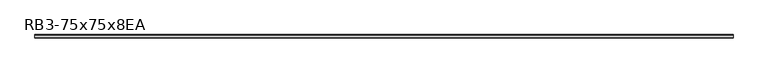
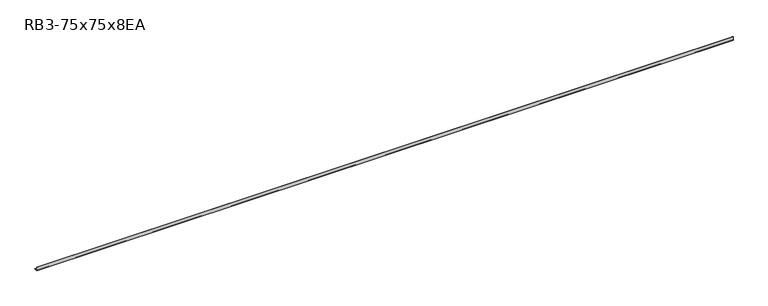
"""IFC4 building model written with IfcOpenShell, lengths in millimetres: member geometry, RB3-75x75x8EA."""

from ifc_helpers import new_model, si_unit, point, frame, frame_2d, origin, place, context, project, spatial, polyline, circle_curve, trimmed, segment, composite_curve, outline, extrude, source, transform, mapped, element, save


def rb3_75x75x8ea_b93dd7ae(model_context):
    return source(origin(), model_context, "Body", "SweptSolid", [
        extrude(outline(composite_curve([segment(polyline([(-21.3, -21.3), (-21.3, 53.7), (-18.3, 53.7)]), True, "CONTINUOUS"), segment(trimmed(circle_curve(frame_2d((-18.3, 48.7)), 5.0), [point((-18.3, 53.7))], [point((-13.3, 48.7))], False, "CARTESIAN"), True, "CONTINUOUS"), segment(polyline([(-13.3, 48.7), (-13.3, -5.3)]), True, "CONTINUOUS"), segment(trimmed(circle_curve(frame_2d((-5.3, -5.3)), 8.0), [point((-13.3, -5.3))], [point((-5.3, -13.3))], True, "CARTESIAN"), True, "CONTINUOUS"), segment(polyline([(-5.3, -13.3), (48.7, -13.3)]), True, "CONTINUOUS"), segment(trimmed(circle_curve(frame_2d((48.7, -18.3)), 5.0), [point((48.7, -13.3))], [point((53.7, -18.3))], False, "CARTESIAN"), True, "CONTINUOUS"), segment(polyline([(53.7, -18.3), (53.7, -21.3), (-21.3, -21.3)]), True, "CONTINUOUS")], self_intersect=False)), frame((-7399.0, 0.0, 0.0), z_axis=(1.0, 0.0, 0.0), x_axis=(0.0, 1.0, 0.0)), (0.0, 0.0, 1.0), 14636.9058031),
    ])


if __name__ == "__main__":
    model = new_model("IFC4")
    model_context = context("Model", 3, world=origin())
    ifc_project = project(units=[si_unit("LENGTHUNIT", "METRE", prefix="MILLI")], contexts=[model_context])
    site = spatial("IfcSite", under=ifc_project)
    building = spatial("IfcBuilding", under=site)
    placement = place(None, origin())
    rb3_75x75x8ea_shape = rb3_75x75x8ea_b93dd7ae(model_context)
    element("IfcMember", 1, ObjectType="RB3-75x75x8EA", at=placement, inside=building, context=model_context, shape_type="MappedRepresentation", body=[
        mapped(rb3_75x75x8ea_shape, transform((0.0, 0.0, 0.0), x_axis=(1.0, 0.0, 0.0), y_axis=(0.0, 1.0, 0.0), z_axis=(0.0, 0.0, 1.0))),
    ])
    save(model, "model.ifc")
